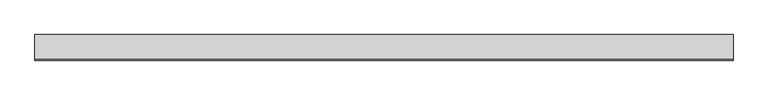
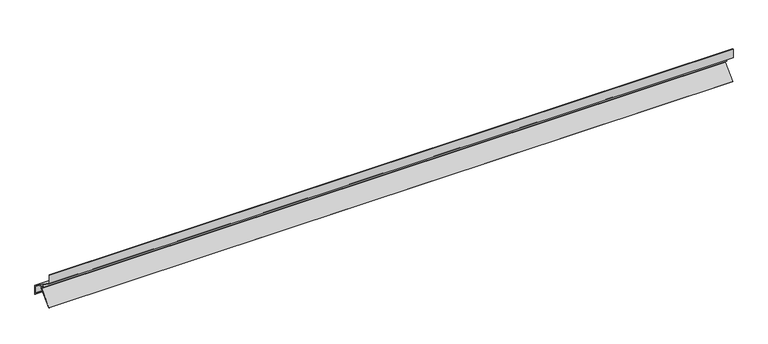
"""IFC4 building model written with IfcOpenShell, lengths in millimetres: plate geometry."""

from ifc_helpers import new_model, si_unit, frame, origin, place, context, project, spatial, polyline, outline, extrude, source, transform, mapped, element, save


def plate_f22716e7(model_context):
    return source(origin(), model_context, "Body", "SweptSolid", [
        extrude(outline(polyline([(26.0635606, -41.2448935), (26.6900039, -43.5828117), (23.261302, -41.6032498), (25.6797539, -38.1493426), (0.0, -20.1681853), (0.0, 0.0), (1.4, 0.0), (1.4, -19.4393914), (55.0, -56.9705155), (55.0, -77.5167134), (50.1000729, -72.6167863), (50.948601, -71.7682582), (53.6, -74.4196572), (53.6, -57.6993094), (37.1920945, -46.2103702), (36.1028864, -45.8139309), (30.9718498, -42.2211404), (30.9718498, -48.5752921), (2.5839371, -76.9632048), (1.5939877, -75.9732553), (29.5718498, -47.9953931), (29.5718498, -44.6759712), (27.971912, -41.2448935), (26.0635606, -41.2448935)])), frame((-750.0, 0.0, 0.0), z_axis=(1.0, 0.0, 0.0), x_axis=(0.0, 1.0, 0.0)), (0.0, 0.0, 1.0), 1500.0),
    ])


if __name__ == "__main__":
    model = new_model("IFC4")
    model_context = context("Model", 3, world=origin())
    ifc_project = project(units=[si_unit("LENGTHUNIT", "METRE", prefix="MILLI")], contexts=[model_context])
    site = spatial("IfcSite", under=ifc_project)
    building = spatial("IfcBuilding", under=site)
    placement = place(None, origin())
    plate_shape = plate_f22716e7(model_context)
    element("IfcPlate", 1, at=placement, inside=building, context=model_context, shape_type="MappedRepresentation", body=[
        mapped(plate_shape, transform((0.0, 0.0, 0.0), x_axis=(1.0, 0.0, 0.0), y_axis=(0.0, 1.0, 0.0), z_axis=(0.0, 0.0, 1.0))),
    ])
    save(model, "model.ifc")
